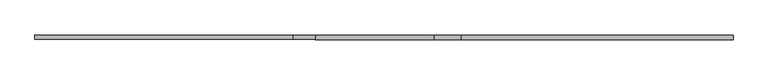
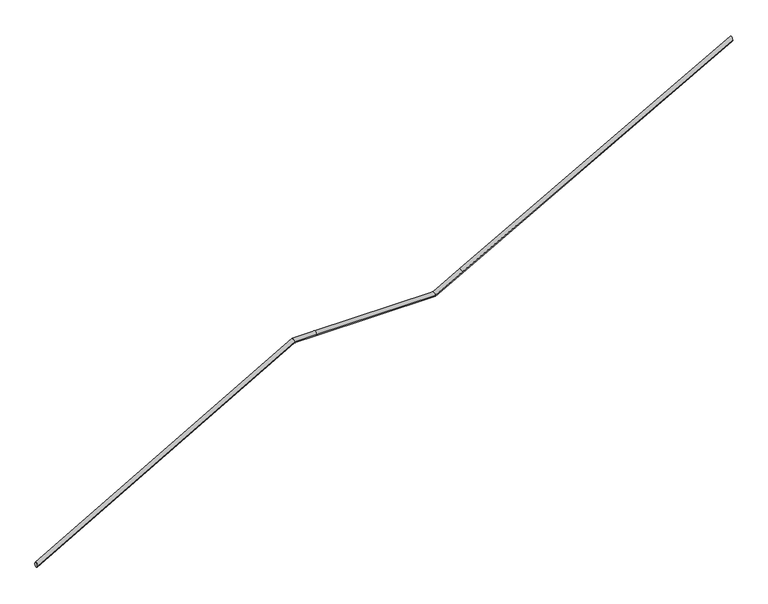
"""IFC4 building model written with IfcOpenShell, lengths in millimetres: railing geometry."""

from ifc_helpers import new_model, si_unit, frame, origin, place, context, project, spatial, circle_curve, ellipse_curve, source, transform, mapped, element, save
from ifc_brep_helpers import plane_surface, cylinder_surface, advanced_brep


def railing_70fc110c(model_context):
    return source(origin(), model_context, "Body", "AdvancedBrep", [
        advanced_brep(
        [(49135.8545918, -31606.3493099, -8971.1111111), (49135.8829939, -31566.34932, -8971.1111111), (51495.3967607, -31608.0247115, -7620.0), (51495.4251628, -31568.0247216, -7620.0), (51695.8539464, -31608.1670468, -7620.0), (51695.8823486, -31568.1670569, -7620.0), (52787.7868206, -31608.9423778, -7620.0), (52787.8152228, -31568.9423879, -7620.0), (53035.8536086, -31609.1185185, -7481.7612027), (53035.8820108, -31569.1185286, -7481.7612027), (55515.3967607, -31610.8791272, -6100.0), (55515.4251628, -31570.8791373, -6100.0)],
        [
            (0, 1, ellipse_curve(frame((49135.8687928, -31586.3493149, -8971.1111111), z_axis=(-0.9999997479119896, 0.0007100534890179764, 0.0), x_axis=(0.0, 0.0, -0.9999999999999999)), 23.0468105, 20.0)),
            (1, 0, ellipse_curve(frame((49135.8687928, -31586.3493149, -8971.1111111), z_axis=(-0.9999997479119896, 0.0007100534890179764, 0.0), x_axis=(0.0, 0.0, -0.9999999999999999)), 23.0468105, 20.0)),
            (0, 2),
            (2, 3, ellipse_curve(frame((51495.4109617, -31588.0247165, -7620.0), z_axis=(-0.9663845245147725, 0.0006861848763447007, -0.25710013599504805), x_axis=(0.25710007118318484, -0.000182554848594145, -0.9663847681287865)), 20.6956904, 20.0)),
            (3, 1),
            (3, 2, ellipse_curve(frame((51495.4109617, -31588.0247165, -7620.0), z_axis=(-0.9663845245147725, 0.0006861848763447007, -0.25710013599504805), x_axis=(0.25710007118318484, -0.000182554848594145, -0.9663847681287865)), 20.6956904, 20.0)),
            (2, 4),
            (4, 5, circle_curve(frame((51695.8681475, -31588.1670519, -7620.0), z_axis=(-0.9999997479119896, 0.000710053489019964, 0.0), x_axis=(0.000710053489019964, 0.9999997479119896, 0.0)), 20.0)),
            (5, 3),
            (5, 4, circle_curve(frame((51695.8681475, -31588.1670519, -7620.0), z_axis=(-0.9999997479119896, 0.000710053489019964, 0.0), x_axis=(0.000710053489019964, 0.9999997479119896, 0.0)), 20.0)),
            (4, 6),
            (6, 7, ellipse_curve(frame((52787.8010217, -31588.9423828, -7620.0), z_axis=(-0.9678641249034106, 0.0006872354720260196, -0.25147278865189604), x_axis=(-0.25147272525862147, 0.00017855913097964532, 0.9678643688904136)), 20.6640524, 20.0)),
            (7, 5),
            (7, 6, ellipse_curve(frame((52787.8010217, -31588.9423828, -7620.0), z_axis=(-0.9678641249034106, 0.0006872354720260196, -0.25147278865189604), x_axis=(-0.25147272525862147, 0.00017855913097964532, 0.9678643688904136)), 20.6640524, 20.0)),
            (6, 8),
            (8, 9, circle_curve(frame((53035.8678097, -31589.1185236, -7481.7612027), z_axis=(-0.8735226529306345, 0.0006202479638048587, -0.48678310376335987), x_axis=(0.0007100534890159051, 0.9999997479119896, 0.0)), 20.0)),
            (9, 7),
            (9, 8, circle_curve(frame((53035.8678097, -31589.1185236, -7481.7612027), z_axis=(-0.8735226529306345, 0.0006202479638048587, -0.48678310376335987), x_axis=(0.0007100534890159051, 0.9999997479119896, 0.0)), 20.0)),
            (10, 11, ellipse_curve(frame((55515.4109617, -31590.8791323, -6100.0), z_axis=(0.9999997479119896, -0.0007100534890186203, 0.0), x_axis=(0.0, 0.0, -0.9999999999999999)), 22.8957943, 20.0)),
            (11, 10, ellipse_curve(frame((55515.4109617, -31590.8791323, -6100.0), z_axis=(0.9999997479119896, -0.0007100534890186203, 0.0), x_axis=(0.0, 0.0, -0.9999999999999999)), 22.8957943, 20.0)),
            (8, 10),
            (11, 9),
        ],
        [
            plane_surface(frame((49135.8687928, -31586.3493149, -8971.1111111), z_axis=(-0.9999997479119896, 0.0007100534890179764, 0.0), x_axis=(0.0007100534890179764, 0.9999997479119896, 0.0))),
            cylinder_surface(frame((49135.8687928, -31586.3493149, -8971.1111111), z_axis=(-0.8677988213809221, 0.0006161837362197432, -0.49691531061890815), x_axis=(0.0007100534890179762, 0.9999997479119896, 0.0)), 20.0),
            cylinder_surface(frame((51495.4109617, -31588.0247165, -7620.0), z_axis=(-0.9999997479119896, 0.000710053489019964, 0.0), x_axis=(0.000710053489019964, 0.9999997479119896, 0.0)), 20.0),
            cylinder_surface(frame((51695.8681475, -31588.1670519, -7620.0), z_axis=(-0.9999997479119896, 0.0007100534890182796, 0.0), x_axis=(0.0007100534890182796, 0.9999997479119896, 0.0)), 20.0),
            cylinder_surface(frame((52787.8010217, -31588.9423828, -7620.0), z_axis=(-0.8735226529306345, 0.0006202479638048587, -0.48678310376335987), x_axis=(0.0007100534890159051, 0.9999997479119896, 0.0)), 20.0),
            plane_surface(frame((55515.4109617, -31590.8791323, -6100.0), z_axis=(0.9999997479119896, -0.0007100534890186203, 0.0), x_axis=(0.0007100534890186203, 0.9999997479119896, 0.0))),
            cylinder_surface(frame((53035.8678097, -31589.1185236, -7481.7612027), z_axis=(-0.8735226529306338, 0.0006202479638072727, -0.4867831037633609), x_axis=(0.0007100534890180143, 0.9999997479119896, 0.0)), 20.0),
        ],
        [
            (0, [[1, 2]]),
            (1, [[-1, 3, 4, 5]]),
            (1, [[-2, -5, 6, -3]]),
            (2, [[-4, 7, 8, 9]]),
            (2, [[-6, -9, 10, -7]]),
            (3, [[-8, 11, 12, 13]]),
            (3, [[-10, -13, 14, -11]]),
            (4, [[-12, 15, 16, 17]]),
            (4, [[-14, -17, 18, -15]]),
            (5, [[19, 20]]),
            (6, [[-16, 21, -20, 22]]),
            (6, [[-18, -22, -19, -21]]),
        ],
    ),
    ])


if __name__ == "__main__":
    model = new_model("IFC4")
    model_context = context("Model", 3, world=origin())
    ifc_project = project(units=[si_unit("LENGTHUNIT", "METRE", prefix="MILLI")], contexts=[model_context])
    site = spatial("IfcSite", under=ifc_project)
    building = spatial("IfcBuilding", under=site)
    placement = place(None, origin())
    railing_shape = railing_70fc110c(model_context)
    element("IfcRailing", 1, at=placement, inside=building, context=model_context, shape_type="MappedRepresentation", body=[
        mapped(railing_shape, transform((0.0, 0.0, 0.0), x_axis=(1.0, 0.0, 0.0), y_axis=(0.0, 1.0, 0.0), z_axis=(0.0, 0.0, 1.0))),
    ])
    save(model, "model.ifc")
